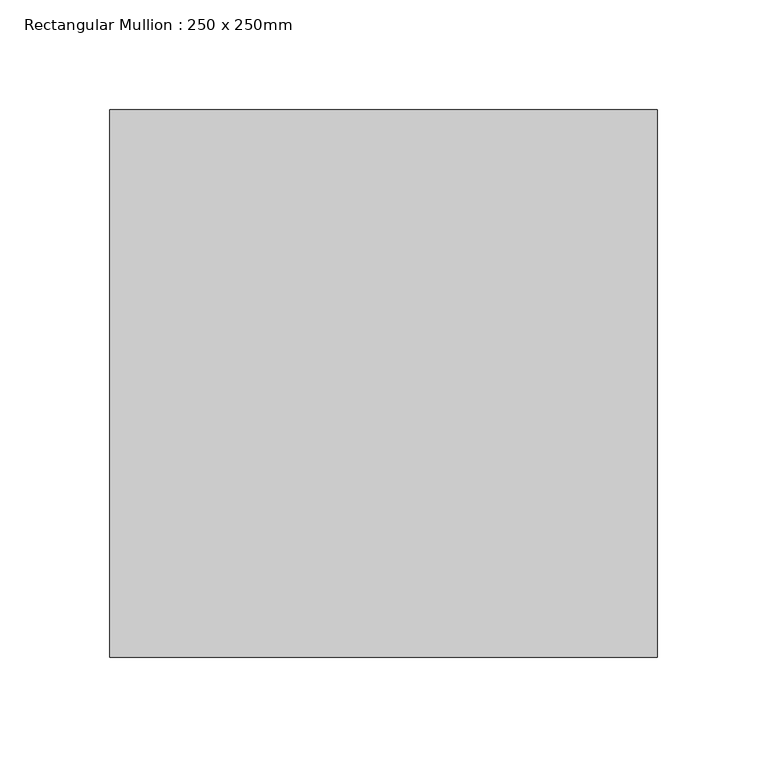
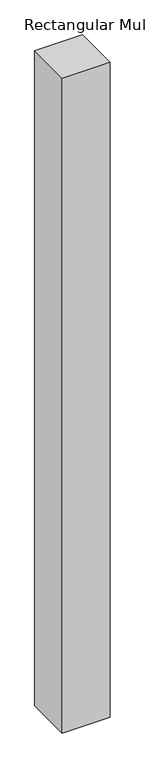
"""IFC4 building model written with IfcOpenShell, lengths in millimetres: member geometry, Rectangular Mullion : 250 x 250mm."""

import ifcopenshell
import ifcopenshell.guid

model = None  # the IFC model being written
_history = None  # IfcOwnerHistory: only IFC2X3 demands one
_inside = {}  # id of a spatial element -> (the spatial element, [elements in it])
_under = {}  # id of a project, library or spatial element -> (it, [spatial elements below it])
_declared = {}  # id of a project -> (the project, [libraries it declares])
_typed = {}  # id of a type object -> (the type object, [elements of that type])
_made_of = {}  # id of a material, layer set ... -> (it, [elements and type objects made of it])


def new_model(schema):
    """Start an empty IFC model of exactly this schema.

    Asked for "IFC4X3", IfcOpenShell would pick the latest addendum, in which some entities
    have other attributes; the version numbers below select the first issue.
    IFC2X3 requires an IfcOwnerHistory on every rooted entity: one is made here for all.
    """
    global model, _history
    if schema == "IFC4X3":
        model = ifcopenshell.file(schema_version=(4, 3, 0, 0))
    else:
        model = ifcopenshell.file(schema=schema)
    _inside.clear()
    _under.clear()
    _declared.clear()
    _typed.clear()
    _made_of.clear()
    _history = None
    if model.schema == "IFC2X3":
        org = make("IfcOrganization", Name="unknown")
        user = make(
            "IfcPersonAndOrganization",
            ThePerson=make("IfcPerson", FamilyName="unknown"),
            TheOrganization=org,
        )
        app = make(
            "IfcApplication",
            ApplicationDeveloper=org,
            Version="unknown",
            ApplicationFullName="unknown",
            ApplicationIdentifier="unknown",
        )
        _history = make(
            "IfcOwnerHistory",
            OwningUser=user,
            OwningApplication=app,
            ChangeAction="ADDED",
            CreationDate=0,
        )
    return model


def make(cls, **values):
    """One entity of the class cls with the attributes given. An attribute that is None is left unset."""
    return model.create_entity(
        cls, **{name: value for name, value in values.items() if value is not None}
    )


def rooted(cls, **values):
    """An entity with a GlobalId (a new one), such as an element, a storey or a relation."""
    return make(cls, GlobalId=ifcopenshell.guid.new(), OwnerHistory=_history, **values)


def si_unit(unit_type, name, prefix=None):
    """IfcSIUnit, for example si_unit("LENGTHUNIT", "METRE", prefix="MILLI")."""
    return make("IfcSIUnit", UnitType=unit_type, Prefix=prefix, Name=name)


def assignment(units):
    """IfcUnitAssignment: the units of a project."""
    return None if units is None else make("IfcUnitAssignment", Units=units)


def point(xyz):
    """IfcCartesianPoint."""
    return None if xyz is None else make("IfcCartesianPoint", Coordinates=xyz)


def direction(xyz):
    """IfcDirection."""
    return None if xyz is None else make("IfcDirection", DirectionRatios=xyz)


def frame(location, z_axis=None, x_axis=None):
    """IfcAxis2Placement3D, a coordinate frame: its origin and axes. An axis left out is left unset."""
    return make(
        "IfcAxis2Placement3D",
        Location=point(location),
        Axis=direction(z_axis),
        RefDirection=direction(x_axis),
    )


def origin():
    """The frame at (0, 0, 0) with its axes left unset."""
    return frame((0.0, 0.0, 0.0))


def place(relative_to, where):
    """IfcLocalPlacement: puts the frame where relative to a parent placement (None: the world)."""
    return make(
        "IfcLocalPlacement", PlacementRelTo=relative_to, RelativePlacement=where
    )


def context(
    kind, dimensions, precision=None, world=None, true_north=None, identifier=None
):
    """IfcGeometricRepresentationContext, for example the 3D "Model" context."""
    return make(
        "IfcGeometricRepresentationContext",
        ContextIdentifier=identifier,
        ContextType=kind,
        CoordinateSpaceDimension=dimensions,
        Precision=precision,
        WorldCoordinateSystem=world,
        TrueNorth=true_north,
    )


def project(units=None, contexts=None):
    """IfcProject with its units and contexts."""
    return rooted(
        "IfcProject",
        Name="project",
        RepresentationContexts=contexts,
        UnitsInContext=assignment(units),
    )


def spatial(cls, under=None, at=None, **own):
    """A site, building, storey or space (cls), placed at a placement, below another one or the project."""
    s = rooted(cls, ObjectPlacement=at, **own)
    if under is not None:
        _under.setdefault(under.id(), (under, []))[1].append(s)
    return s


def polyline(points):
    """IfcPolyline through the points."""
    return make("IfcPolyline", Points=[point(p) for p in points])


def outline(outer, holes=None, kind="AREA"):
    """IfcArbitraryClosedProfileDef: a profile drawn as a closed curve; with holes, ...WithVoids."""
    if holes is None:
        return make("IfcArbitraryClosedProfileDef", ProfileType=kind, OuterCurve=outer)
    return make(
        "IfcArbitraryProfileDefWithVoids",
        ProfileType=kind,
        OuterCurve=outer,
        InnerCurves=holes,
    )


def extrude(swept, where, along, depth):
    """IfcExtrudedAreaSolid: the profile swept, set in the frame where, extruded along a direction by depth."""
    return make(
        "IfcExtrudedAreaSolid",
        SweptArea=swept,
        Position=where,
        ExtrudedDirection=direction(along),
        Depth=depth,
    )


def shape(context_of_items, identifier, shape_type, items):
    """IfcShapeRepresentation: the items that make up one representation, for example the "Body"."""
    return make(
        "IfcShapeRepresentation",
        ContextOfItems=context_of_items,
        RepresentationIdentifier=identifier,
        RepresentationType=shape_type,
        Items=items,
    )


def source(mapping_origin, context_of_items, identifier, shape_type, items):
    """IfcRepresentationMap: a shape defined once, which mapped items show again and again."""
    return make(
        "IfcRepresentationMap",
        MappingOrigin=mapping_origin,
        MappedRepresentation=shape(context_of_items, identifier, shape_type, items),
    )


def transform(
    local_origin,
    x_axis=None,
    y_axis=None,
    z_axis=None,
    scale=None,
    scale2=None,
    scale3=None,
    uniform=True,
):
    """IfcCartesianTransformationOperator3D, or its non-uniform kind. x_axis, y_axis, z_axis: its Axis1, 2, 3."""
    if uniform:
        return make(
            "IfcCartesianTransformationOperator3D",
            Axis1=direction(x_axis),
            Axis2=direction(y_axis),
            LocalOrigin=point(local_origin),
            Scale=scale,
            Axis3=direction(z_axis),
        )
    return make(
        "IfcCartesianTransformationOperator3DnonUniform",
        Axis1=direction(x_axis),
        Axis2=direction(y_axis),
        LocalOrigin=point(local_origin),
        Scale=scale,
        Axis3=direction(z_axis),
        Scale2=scale2,
        Scale3=scale3,
    )


def mapped(mapping_source, mapping_target):
    """IfcMappedItem: shows the shape of a source again, moved by a transform."""
    return make(
        "IfcMappedItem", MappingSource=mapping_source, MappingTarget=mapping_target
    )


def made_of(thing, what):
    """Note that an element or type object is made of a material, layer set ...; save() writes the relation."""
    if what is not None:
        _made_of.setdefault(what.id(), (what, []))[1].append(thing)
    return thing


def element(
    cls,
    number,
    at=None,
    inside=None,
    cuts=None,
    type_object=None,
    material=None,
    context=None,
    identifier="Body",
    shape_type=None,
    held_by="IfcProductDefinitionShape",
    body=None,
    shapes=None,
    **own,
):
    """One element of the class cls, such as IfcWall. Its Tag is "e" and its number.

    at: its placement. inside: the storey or other place that contains it. cuts: it is an
    opening in that element (IfcRelVoidsElement). A single representation is given by context,
    identifier, shape_type and body (its items); several are given by shapes. held_by: the class
    of the entity that holds the representations. save() writes the other relations.
    """
    e = rooted(cls, Tag="e%d" % number, ObjectPlacement=at, **own)
    if body is not None:
        shapes = [shape(context, identifier, shape_type, body)]
    if shapes is not None:
        e.Representation = make(held_by, Representations=shapes)
    if inside is not None:
        _inside.setdefault(inside.id(), (inside, []))[1].append(e)
    if cuts is not None:
        rooted(
            "IfcRelVoidsElement", RelatingBuildingElement=cuts, RelatedOpeningElement=e
        )
    if type_object is not None:
        _typed.setdefault(type_object.id(), (type_object, []))[1].append(e)
    return made_of(e, material)


def aggregate(whole, parts):
    """IfcRelAggregates: a whole, such as a stair, and the parts it consists of."""
    return rooted("IfcRelAggregates", RelatingObject=whole, RelatedObjects=parts)


def save(model, path):
    """Write the relations noted so far, then the file.

    IfcRelAggregates (storeys below a building ...), IfcRelContainedInSpatialStructure (elements
    in a storey), IfcRelDefinesByType, IfcRelAssociatesMaterial and IfcRelDeclares: one each for
    every whole, place, type object, material and project.
    """
    for whole, parts in _under.values():
        aggregate(whole, parts)
    for where, things in _inside.values():
        rooted(
            "IfcRelContainedInSpatialStructure",
            RelatedElements=things,
            RelatingStructure=where,
        )
    for kind, things in _typed.values():
        rooted("IfcRelDefinesByType", RelatedObjects=things, RelatingType=kind)
    for what, things in _made_of.values():
        rooted("IfcRelAssociatesMaterial", RelatedObjects=things, RelatingMaterial=what)
    for by, libraries in _declared.values():
        rooted("IfcRelDeclares", RelatingContext=by, RelatedDefinitions=libraries)
    model.write(path)


def rectangular_mullion_250_x_250mm_e2a6bf4d(model_context):
    return source(origin(), model_context, "Body", "SweptSolid", [
        extrude(outline(polyline([(0.0, 125.0), (0.0, -125.0), (-250.0, -125.0), (-250.0, 125.0), (0.0, 125.0)])), frame((0.0, 0.0, -3631.3214218), z_axis=(0.0, 0.0, 1.0), x_axis=(1.0, 0.0, 0.0)), (0.0, 0.0, 1.0), 3631.3214218),
    ])


if __name__ == "__main__":
    model = new_model("IFC4")
    model_context = context("Model", 3, world=origin())
    ifc_project = project(units=[si_unit("LENGTHUNIT", "METRE", prefix="MILLI")], contexts=[model_context])
    site = spatial("IfcSite", under=ifc_project)
    building = spatial("IfcBuilding", under=site)
    placement = place(None, origin())
    rectangular_mullion_250_x_250mm_shape = rectangular_mullion_250_x_250mm_e2a6bf4d(model_context)
    element("IfcMember", 1, ObjectType="Rectangular Mullion : 250 x 250mm", at=placement, inside=building, context=model_context, shape_type="MappedRepresentation", body=[
        mapped(rectangular_mullion_250_x_250mm_shape, transform((0.0, 0.0, 0.0), x_axis=(1.0, 0.0, 0.0), y_axis=(0.0, 1.0, 0.0), z_axis=(0.0, 0.0, 1.0))),
    ])
    save(model, "model.ifc")
